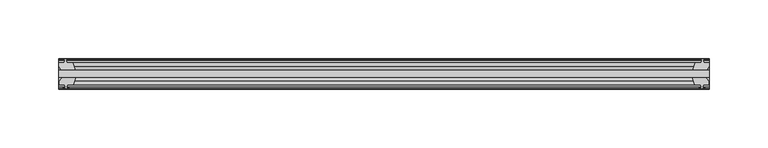
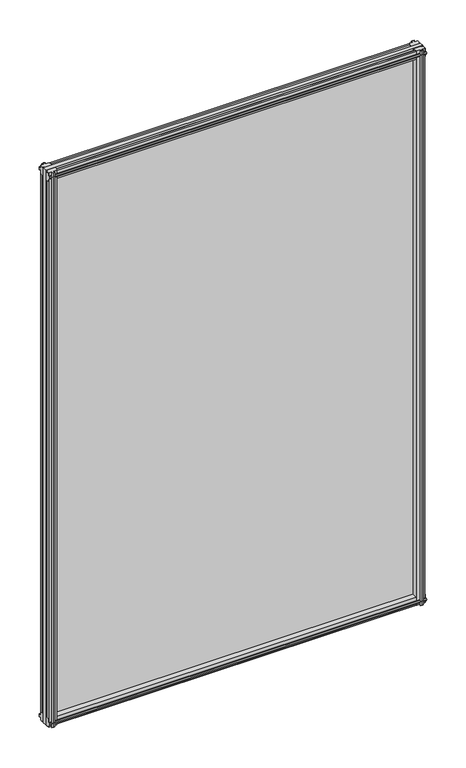
"""IFC4 building model written with IfcOpenShell, lengths in millimetres: plate geometry."""

from ifc_helpers import new_model, si_unit, frame, origin, place, context, project, spatial, polyline, outline, extrude, source, transform, mapped, element, save


def plate_804ae7fb(model_context):
    return source(origin(), model_context, "Body", "SweptSolid", [
        extrude(outline(polyline([(-277.7684234, -19.5460937), (277.7684234, -19.5460937), (277.7684234, -25.8960937), (-277.7684234, -25.8960937), (-277.7684234, -19.5460937)])), frame((0.0, 0.0, -12.7), z_axis=(0.0, 0.0, 1.0), x_axis=(1.0, 0.0, 0.0)), (0.0, 0.0, 1.0), 863.6),
        extrude(outline(polyline([(274.7937272, -25.8960937), (277.0064234, -29.2996938), (277.0064234, -32.2460938), (272.5614234, -32.2460938), (272.1804234, -34.6262907), (273.5959525, -34.1663575), (273.5959525, -34.9675717), (271.4184234, -35.6750938), (269.2408944, -34.9675717), (269.2408944, -34.1663575), (270.6564234, -34.6262907), (270.2754234, -32.2460938), (265.0684234, -32.2460938), (262.9631464, -25.8960937), (274.7937272, -25.8960937)])), frame((0.0, 0.0, -12.7), z_axis=(0.0, 0.0, 1.0), x_axis=(1.0, 0.0, 0.0)), (0.0, 0.0, 1.0), 863.6),
        extrude(outline(polyline([(269.7615944, -10.4746158), (271.9391234, -9.7670938), (274.1166525, -10.4746158), (274.1166525, -11.27583), (272.7011234, -10.8158968), (273.0821234, -13.1960938), (277.5271234, -13.1960938), (277.5271234, -16.1424938), (275.3144272, -19.5460937), (263.4838464, -19.5460937), (265.5891234, -13.1960938), (270.7961234, -13.1960938), (271.1771234, -10.8158968), (269.7615944, -11.27583), (269.7615944, -10.4746158)])), frame((0.0, 0.0, -12.7), z_axis=(0.0, 0.0, 1.0), x_axis=(1.0, 0.0, 0.0)), (0.0, 0.0, 1.0), 863.6),
        extrude(outline(polyline([(-262.9631464, -25.8960937), (-265.0684234, -32.2460937), (-270.2754234, -32.2460937), (-270.6564234, -34.6262907), (-269.2408944, -34.1663575), (-269.2408944, -34.9675717), (-271.4184234, -35.6750937), (-273.5959525, -34.9675717), (-273.5959525, -34.1663575), (-272.1804234, -34.6262907), (-272.5614234, -32.2460937), (-277.0064234, -32.2460937), (-277.0064234, -29.2996937), (-274.7937272, -25.8960937), (-262.9631464, -25.8960937)])), frame((0.0, 0.0, -12.7), z_axis=(0.0, 0.0, 1.0), x_axis=(1.0, 0.0, 0.0)), (0.0, 0.0, 1.0), 863.6),
        extrude(outline(polyline([(-272.7011234, -10.8158968), (-274.1166525, -11.27583), (-274.1166525, -10.4746158), (-271.9391234, -9.7670937), (-269.7615944, -10.4746158), (-269.7615944, -11.27583), (-271.1771234, -10.8158968), (-270.7961234, -13.1960937), (-265.5891234, -13.1960937), (-263.4838464, -19.5460937), (-275.3144272, -19.5460937), (-277.5271234, -16.1424937), (-277.5271234, -13.1960937), (-273.0821234, -13.1960937), (-272.7011234, -10.8158968)])), frame((0.0, 0.0, -12.7), z_axis=(0.0, 0.0, 1.0), x_axis=(1.0, 0.0, 0.0)), (0.0, 0.0, 1.0), 863.6),
        extrude(outline(polyline([(-13.1960937, 850.6587), (-13.1960937, 846.2137), (-10.8158968, 845.8327), (-11.27583, 847.248229), (-10.4746158, 847.248229), (-9.7670937, 845.0707), (-10.4746158, 842.8931709), (-11.27583, 842.8931709), (-10.8158968, 844.3087), (-13.1960937, 843.9277), (-13.1960937, 838.7207), (-19.5460937, 836.6154229), (-19.5460937, 848.4460038), (-16.1424937, 850.6587), (-13.1960937, 850.6587)])), frame((-277.7684234, 0.0, 0.0), z_axis=(1.0, 0.0, 0.0), x_axis=(0.0, 1.0, 0.0)), (0.0, 0.0, 1.0), 555.5368468),
        extrude(outline(polyline([(-29.2996937, 850.138), (-25.8960937, 847.9253038), (-25.8960937, 836.0947229), (-32.2460937, 838.2), (-32.2460937, 843.407), (-34.6262907, 843.788), (-34.1663575, 842.3724709), (-34.9675717, 842.3724709), (-35.6750937, 844.55), (-34.9675717, 846.7275291), (-34.1663575, 846.7275291), (-34.6262907, 845.312), (-32.2460937, 845.693), (-32.2460937, 850.138), (-29.2996937, 850.138)])), frame((-277.7684234, 0.0, 0.0), z_axis=(1.0, 0.0, 0.0), x_axis=(0.0, 1.0, 0.0)), (0.0, 0.0, 1.0), 555.5368468),
        extrude(outline(polyline([(-25.8960937, 2.1052771), (-25.8960937, -9.7253038), (-29.2996937, -11.938), (-32.2460937, -11.938), (-32.2460937, -7.493), (-34.6262907, -7.112), (-34.1663575, -8.5275291), (-34.9675717, -8.5275291), (-35.6750937, -6.35), (-34.9675717, -4.1724709), (-34.1663575, -4.1724709), (-34.6262907, -5.588), (-32.2460937, -5.207), (-32.2460937, 0.0), (-25.8960937, 2.1052771)])), frame((-277.7684234, 0.0, 0.0), z_axis=(1.0, 0.0, 0.0), x_axis=(0.0, 1.0, 0.0)), (0.0, 0.0, 1.0), 555.5368468),
        extrude(outline(polyline([(-19.5460937, 1.5845771), (-13.1960937, -0.5207), (-13.1960937, -5.7277), (-10.8158968, -6.1087), (-11.27583, -4.6931709), (-10.4746158, -4.6931709), (-9.7670937, -6.8707), (-10.4746158, -9.048229), (-11.27583, -9.048229), (-10.8158968, -7.6327), (-13.1960937, -8.0137), (-13.1960937, -12.4587), (-16.1424937, -12.4587), (-19.5460937, -10.2460038), (-19.5460937, 1.5845771)])), frame((-277.7684234, 0.0, 0.0), z_axis=(1.0, 0.0, 0.0), x_axis=(0.0, 1.0, 0.0)), (0.0, 0.0, 1.0), 555.5368468),
    ])


if __name__ == "__main__":
    model = new_model("IFC4")
    model_context = context("Model", 3, world=origin())
    ifc_project = project(units=[si_unit("LENGTHUNIT", "METRE", prefix="MILLI")], contexts=[model_context])
    site = spatial("IfcSite", under=ifc_project)
    building = spatial("IfcBuilding", under=site)
    placement = place(None, origin())
    plate_shape = plate_804ae7fb(model_context)
    element("IfcPlate", 1, at=placement, inside=building, context=model_context, shape_type="MappedRepresentation", body=[
        mapped(plate_shape, transform((0.0, 0.0, 0.0), x_axis=(1.0, 0.0, 0.0), y_axis=(0.0, 1.0, 0.0), z_axis=(0.0, 0.0, 1.0))),
    ])
    save(model, "model.ifc")
